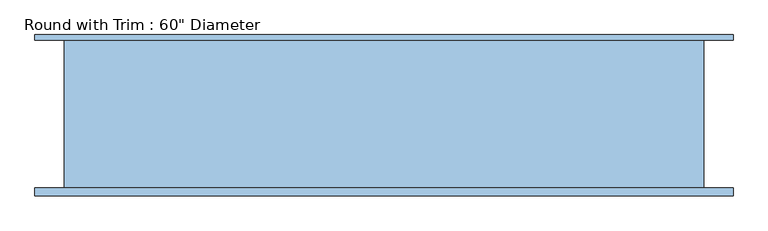
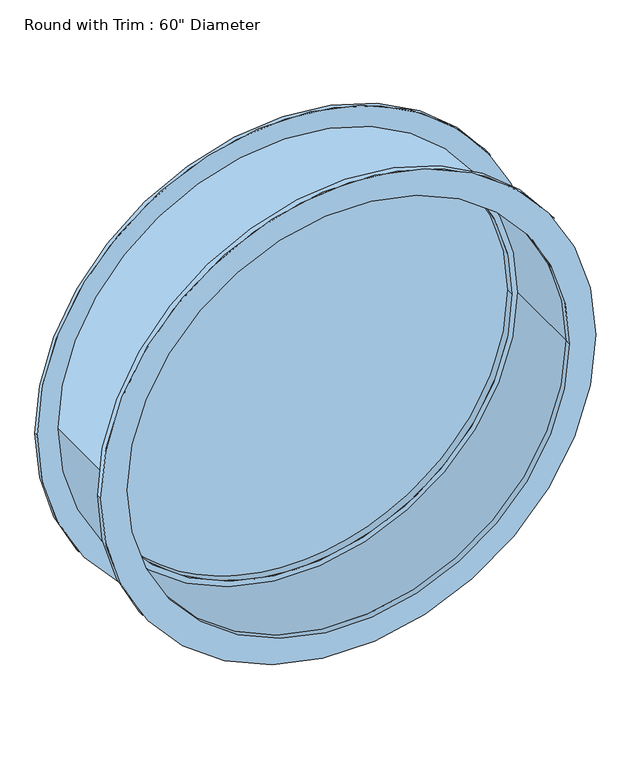
"""IFC4 building model written with IfcOpenShell, lengths in millimetres: window geometry."""

from ifc_helpers import new_model, si_unit, point, frame, frame_2d, origin, place, context, project, spatial, circle_curve, trimmed, segment, composite_curve, outline, extrude, source, transform, mapped, element, save


def window_19e61d13(model_context):
    return source(origin(), model_context, "Body", "SweptSolid", [
        extrude(outline(composite_curve([segment(trimmed(circle_curve(frame_2d((1219.2, 304.8)), 831.85), [point((1219.2, -527.05))], [point((1219.2, 1136.65))], False, "CARTESIAN"), True, "CONTINUOUS"), segment(trimmed(circle_curve(frame_2d((1219.2, 304.8)), 831.85), [point((1219.2, 1136.65))], [point((1219.2, -527.05))], False, "CARTESIAN"), True, "CONTINUOUS")], self_intersect=False), holes=[composite_curve([segment(trimmed(circle_curve(frame_2d((1219.2, 304.8)), 742.95), [point((1219.2, -438.15))], [point((1219.2, 1047.75))], True, "CARTESIAN"), True, "CONTINUOUS"), segment(trimmed(circle_curve(frame_2d((1219.2, 304.8)), 742.95), [point((1219.2, 1047.75))], [point((1219.2, -438.15))], True, "CARTESIAN"), True, "CONTINUOUS")], self_intersect=False)]), frame((0.0, -195.2625, 0.0), z_axis=(0.0, 1.0, 0.0), x_axis=(0.0, 0.0, 1.0)), (0.0, 0.0, 1.0), 19.05),
        extrude(outline(composite_curve([segment(trimmed(circle_curve(frame_2d((1219.2, 304.8)), 831.85), [point((1219.2, -527.05))], [point((1219.2, 1136.65))], False, "CARTESIAN"), True, "CONTINUOUS"), segment(trimmed(circle_curve(frame_2d((1219.2, 304.8)), 831.85), [point((1219.2, 1136.65))], [point((1219.2, -527.05))], False, "CARTESIAN"), True, "CONTINUOUS")], self_intersect=False), holes=[composite_curve([segment(trimmed(circle_curve(frame_2d((1219.2, 304.8)), 742.95), [point((1219.2, -438.15))], [point((1219.2, 1047.75))], True, "CARTESIAN"), True, "CONTINUOUS"), segment(trimmed(circle_curve(frame_2d((1219.2, 304.8)), 742.95), [point((1219.2, 1047.75))], [point((1219.2, -438.15))], True, "CARTESIAN"), True, "CONTINUOUS")], self_intersect=False)]), frame((0.0, 176.2125, 0.0), z_axis=(0.0, 1.0, 0.0), x_axis=(0.0, 0.0, 1.0)), (0.0, 0.0, 1.0), 12.7),
        extrude(outline(composite_curve([segment(trimmed(circle_curve(frame_2d((1219.2, 304.8)), 723.9), [point((1219.2, -419.1))], [point((1219.2, 1028.7))], False, "CARTESIAN"), True, "CONTINUOUS"), segment(trimmed(circle_curve(frame_2d((1219.2, 304.8)), 723.9), [point((1219.2, 1028.7))], [point((1219.2, -419.1))], False, "CARTESIAN"), True, "CONTINUOUS")], self_intersect=False)), frame((0.0, 131.7625, 0.0), z_axis=(0.0, 1.0, 0.0), x_axis=(0.0, 0.0, 1.0)), (0.0, 0.0, 1.0), 12.7),
        extrude(outline(composite_curve([segment(trimmed(circle_curve(frame_2d((1219.2, 304.8)), 742.95), [point((1219.2, -438.15))], [point((1219.2, 1047.75))], False, "CARTESIAN"), True, "CONTINUOUS"), segment(trimmed(circle_curve(frame_2d((1219.2, 304.8)), 742.95), [point((1219.2, 1047.75))], [point((1219.2, -438.15))], False, "CARTESIAN"), True, "CONTINUOUS")], self_intersect=False), holes=[composite_curve([segment(trimmed(circle_curve(frame_2d((1219.2, 304.8)), 723.9), [point((1219.2, -419.1))], [point((1219.2, 1028.7))], True, "CARTESIAN"), True, "CONTINUOUS"), segment(trimmed(circle_curve(frame_2d((1219.2, 304.8)), 723.9), [point((1219.2, 1028.7))], [point((1219.2, -419.1))], True, "CARTESIAN"), True, "CONTINUOUS")], self_intersect=False)]), frame((0.0, 106.3625, 0.0), z_axis=(0.0, 1.0, 0.0), x_axis=(0.0, 0.0, 1.0)), (0.0, 0.0, 1.0), 50.8),
        extrude(outline(composite_curve([segment(trimmed(circle_curve(frame_2d((1219.2, 304.8)), 762.0), [point((1219.2, -457.2))], [point((1219.2, 1066.8))], False, "CARTESIAN"), True, "CONTINUOUS"), segment(trimmed(circle_curve(frame_2d((1219.2, 304.8)), 762.0), [point((1219.2, 1066.8))], [point((1219.2, -457.2))], False, "CARTESIAN"), True, "CONTINUOUS")], self_intersect=False), holes=[composite_curve([segment(trimmed(circle_curve(frame_2d((1219.2, 304.8)), 742.95), [point((1219.2, -438.15))], [point((1219.2, 1047.75))], True, "CARTESIAN"), True, "CONTINUOUS"), segment(trimmed(circle_curve(frame_2d((1219.2, 304.8)), 742.95), [point((1219.2, 1047.75))], [point((1219.2, -438.15))], True, "CARTESIAN"), True, "CONTINUOUS")], self_intersect=False)]), frame((0.0, -176.2125, 0.0), z_axis=(0.0, 1.0, 0.0), x_axis=(0.0, 0.0, 1.0)), (0.0, 0.0, 1.0), 352.425),
    ])


if __name__ == "__main__":
    model = new_model("IFC4")
    model_context = context("Model", 3, world=origin())
    ifc_project = project(units=[si_unit("LENGTHUNIT", "METRE", prefix="MILLI")], contexts=[model_context])
    site = spatial("IfcSite", under=ifc_project)
    building = spatial("IfcBuilding", under=site)
    placement = place(None, origin())
    window_shape = window_19e61d13(model_context)
    element("IfcWindow", 1, ObjectType="Round with Trim : 60\" Diameter", at=placement, inside=building, context=model_context, shape_type="MappedRepresentation", body=[
        mapped(window_shape, transform((0.0, 0.0, 0.0), x_axis=(1.0, 0.0, 0.0), y_axis=(0.0, 1.0, 0.0), z_axis=(0.0, 0.0, 1.0))),
    ])
    save(model, "model.ifc")
